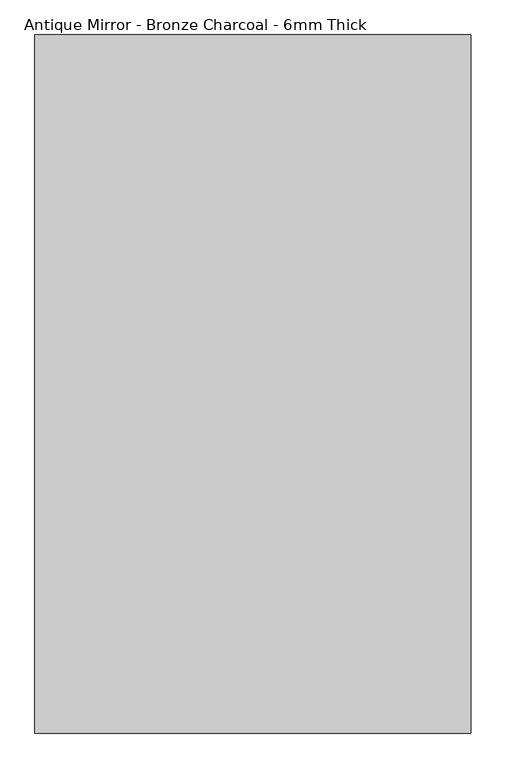
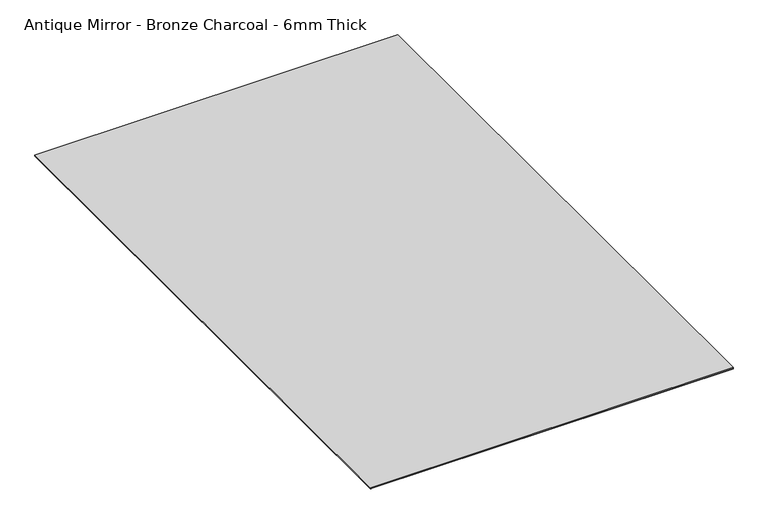
"""IFC4 building model written with IfcOpenShell, lengths in millimetres: proxy geometry, Antique Mirror - Bronze Charcoal - 6mm Thick."""

import ifcopenshell
import ifcopenshell.guid

model = None  # the IFC model being written
_history = None  # IfcOwnerHistory: only IFC2X3 demands one
_inside = {}  # id of a spatial element -> (the spatial element, [elements in it])
_under = {}  # id of a project, library or spatial element -> (it, [spatial elements below it])
_declared = {}  # id of a project -> (the project, [libraries it declares])
_typed = {}  # id of a type object -> (the type object, [elements of that type])
_made_of = {}  # id of a material, layer set ... -> (it, [elements and type objects made of it])


def new_model(schema):
    """Start an empty IFC model of exactly this schema.

    Asked for "IFC4X3", IfcOpenShell would pick the latest addendum, in which some entities
    have other attributes; the version numbers below select the first issue.
    IFC2X3 requires an IfcOwnerHistory on every rooted entity: one is made here for all.
    """
    global model, _history
    if schema == "IFC4X3":
        model = ifcopenshell.file(schema_version=(4, 3, 0, 0))
    else:
        model = ifcopenshell.file(schema=schema)
    _inside.clear()
    _under.clear()
    _declared.clear()
    _typed.clear()
    _made_of.clear()
    _history = None
    if model.schema == "IFC2X3":
        org = make("IfcOrganization", Name="unknown")
        user = make(
            "IfcPersonAndOrganization",
            ThePerson=make("IfcPerson", FamilyName="unknown"),
            TheOrganization=org,
        )
        app = make(
            "IfcApplication",
            ApplicationDeveloper=org,
            Version="unknown",
            ApplicationFullName="unknown",
            ApplicationIdentifier="unknown",
        )
        _history = make(
            "IfcOwnerHistory",
            OwningUser=user,
            OwningApplication=app,
            ChangeAction="ADDED",
            CreationDate=0,
        )
    return model


def make(cls, **values):
    """One entity of the class cls with the attributes given. An attribute that is None is left unset."""
    return model.create_entity(
        cls, **{name: value for name, value in values.items() if value is not None}
    )


def rooted(cls, **values):
    """An entity with a GlobalId (a new one), such as an element, a storey or a relation."""
    return make(cls, GlobalId=ifcopenshell.guid.new(), OwnerHistory=_history, **values)


def si_unit(unit_type, name, prefix=None):
    """IfcSIUnit, for example si_unit("LENGTHUNIT", "METRE", prefix="MILLI")."""
    return make("IfcSIUnit", UnitType=unit_type, Prefix=prefix, Name=name)


def assignment(units):
    """IfcUnitAssignment: the units of a project."""
    return None if units is None else make("IfcUnitAssignment", Units=units)


def point(xyz):
    """IfcCartesianPoint."""
    return None if xyz is None else make("IfcCartesianPoint", Coordinates=xyz)


def direction(xyz):
    """IfcDirection."""
    return None if xyz is None else make("IfcDirection", DirectionRatios=xyz)


def frame(location, z_axis=None, x_axis=None):
    """IfcAxis2Placement3D, a coordinate frame: its origin and axes. An axis left out is left unset."""
    return make(
        "IfcAxis2Placement3D",
        Location=point(location),
        Axis=direction(z_axis),
        RefDirection=direction(x_axis),
    )


def origin():
    """The frame at (0, 0, 0) with its axes left unset."""
    return frame((0.0, 0.0, 0.0))


def origin_with_axes():
    """The frame at (0, 0, 0) with the z axis (0, 0, 1) and the x axis (1, 0, 0) written out."""
    return frame((0.0, 0.0, 0.0), z_axis=(0.0, 0.0, 1.0), x_axis=(1.0, 0.0, 0.0))


def place(relative_to, where):
    """IfcLocalPlacement: puts the frame where relative to a parent placement (None: the world)."""
    return make(
        "IfcLocalPlacement", PlacementRelTo=relative_to, RelativePlacement=where
    )


def context(
    kind, dimensions, precision=None, world=None, true_north=None, identifier=None
):
    """IfcGeometricRepresentationContext, for example the 3D "Model" context."""
    return make(
        "IfcGeometricRepresentationContext",
        ContextIdentifier=identifier,
        ContextType=kind,
        CoordinateSpaceDimension=dimensions,
        Precision=precision,
        WorldCoordinateSystem=world,
        TrueNorth=true_north,
    )


def project(units=None, contexts=None):
    """IfcProject with its units and contexts."""
    return rooted(
        "IfcProject",
        Name="project",
        RepresentationContexts=contexts,
        UnitsInContext=assignment(units),
    )


def spatial(cls, under=None, at=None, **own):
    """A site, building, storey or space (cls), placed at a placement, below another one or the project."""
    s = rooted(cls, ObjectPlacement=at, **own)
    if under is not None:
        _under.setdefault(under.id(), (under, []))[1].append(s)
    return s


def polyline(points):
    """IfcPolyline through the points."""
    return make("IfcPolyline", Points=[point(p) for p in points])


def outline(outer, holes=None, kind="AREA"):
    """IfcArbitraryClosedProfileDef: a profile drawn as a closed curve; with holes, ...WithVoids."""
    if holes is None:
        return make("IfcArbitraryClosedProfileDef", ProfileType=kind, OuterCurve=outer)
    return make(
        "IfcArbitraryProfileDefWithVoids",
        ProfileType=kind,
        OuterCurve=outer,
        InnerCurves=holes,
    )


def extrude(swept, where, along, depth):
    """IfcExtrudedAreaSolid: the profile swept, set in the frame where, extruded along a direction by depth."""
    return make(
        "IfcExtrudedAreaSolid",
        SweptArea=swept,
        Position=where,
        ExtrudedDirection=direction(along),
        Depth=depth,
    )


def shape(context_of_items, identifier, shape_type, items):
    """IfcShapeRepresentation: the items that make up one representation, for example the "Body"."""
    return make(
        "IfcShapeRepresentation",
        ContextOfItems=context_of_items,
        RepresentationIdentifier=identifier,
        RepresentationType=shape_type,
        Items=items,
    )


def source(mapping_origin, context_of_items, identifier, shape_type, items):
    """IfcRepresentationMap: a shape defined once, which mapped items show again and again."""
    return make(
        "IfcRepresentationMap",
        MappingOrigin=mapping_origin,
        MappedRepresentation=shape(context_of_items, identifier, shape_type, items),
    )


def transform(
    local_origin,
    x_axis=None,
    y_axis=None,
    z_axis=None,
    scale=None,
    scale2=None,
    scale3=None,
    uniform=True,
):
    """IfcCartesianTransformationOperator3D, or its non-uniform kind. x_axis, y_axis, z_axis: its Axis1, 2, 3."""
    if uniform:
        return make(
            "IfcCartesianTransformationOperator3D",
            Axis1=direction(x_axis),
            Axis2=direction(y_axis),
            LocalOrigin=point(local_origin),
            Scale=scale,
            Axis3=direction(z_axis),
        )
    return make(
        "IfcCartesianTransformationOperator3DnonUniform",
        Axis1=direction(x_axis),
        Axis2=direction(y_axis),
        LocalOrigin=point(local_origin),
        Scale=scale,
        Axis3=direction(z_axis),
        Scale2=scale2,
        Scale3=scale3,
    )


def mapped(mapping_source, mapping_target):
    """IfcMappedItem: shows the shape of a source again, moved by a transform."""
    return make(
        "IfcMappedItem", MappingSource=mapping_source, MappingTarget=mapping_target
    )


def made_of(thing, what):
    """Note that an element or type object is made of a material, layer set ...; save() writes the relation."""
    if what is not None:
        _made_of.setdefault(what.id(), (what, []))[1].append(thing)
    return thing


def element(
    cls,
    number,
    at=None,
    inside=None,
    cuts=None,
    type_object=None,
    material=None,
    context=None,
    identifier="Body",
    shape_type=None,
    held_by="IfcProductDefinitionShape",
    body=None,
    shapes=None,
    **own,
):
    """One element of the class cls, such as IfcWall. Its Tag is "e" and its number.

    at: its placement. inside: the storey or other place that contains it. cuts: it is an
    opening in that element (IfcRelVoidsElement). A single representation is given by context,
    identifier, shape_type and body (its items); several are given by shapes. held_by: the class
    of the entity that holds the representations. save() writes the other relations.
    """
    e = rooted(cls, Tag="e%d" % number, ObjectPlacement=at, **own)
    if body is not None:
        shapes = [shape(context, identifier, shape_type, body)]
    if shapes is not None:
        e.Representation = make(held_by, Representations=shapes)
    if inside is not None:
        _inside.setdefault(inside.id(), (inside, []))[1].append(e)
    if cuts is not None:
        rooted(
            "IfcRelVoidsElement", RelatingBuildingElement=cuts, RelatedOpeningElement=e
        )
    if type_object is not None:
        _typed.setdefault(type_object.id(), (type_object, []))[1].append(e)
    return made_of(e, material)


def aggregate(whole, parts):
    """IfcRelAggregates: a whole, such as a stair, and the parts it consists of."""
    return rooted("IfcRelAggregates", RelatingObject=whole, RelatedObjects=parts)


def save(model, path):
    """Write the relations noted so far, then the file.

    IfcRelAggregates (storeys below a building ...), IfcRelContainedInSpatialStructure (elements
    in a storey), IfcRelDefinesByType, IfcRelAssociatesMaterial and IfcRelDeclares: one each for
    every whole, place, type object, material and project.
    """
    for whole, parts in _under.values():
        aggregate(whole, parts)
    for where, things in _inside.values():
        rooted(
            "IfcRelContainedInSpatialStructure",
            RelatedElements=things,
            RelatingStructure=where,
        )
    for kind, things in _typed.values():
        rooted("IfcRelDefinesByType", RelatedObjects=things, RelatingType=kind)
    for what, things in _made_of.values():
        rooted("IfcRelAssociatesMaterial", RelatedObjects=things, RelatingMaterial=what)
    for by, libraries in _declared.values():
        rooted("IfcRelDeclares", RelatingContext=by, RelatedDefinitions=libraries)
    model.write(path)


def antique_mirror_bronze_charcoal_6mm_thick_dc94014f(model_context):
    return source(origin(), model_context, "Body", "SweptSolid", [
        extrude(outline(polyline([(762.0, -1219.2), (-762.0, -1219.2), (-762.0, 1219.2), (762.0, 1219.2), (762.0, -1219.2)])), frame((0.0, 0.0, 1.984375), z_axis=(0.0, 0.0, 1.0), x_axis=(1.0, 0.0, 0.0)), (0.0, 0.0, 1.0), 3.96875),
        extrude(outline(polyline([(762.0, 1219.2), (762.0, -1219.2), (-762.0, -1219.2), (-762.0, 1219.2), (762.0, 1219.2)])), origin_with_axes(), (0.0, 0.0, 1.0), 1.984375),
    ])


if __name__ == "__main__":
    model = new_model("IFC4")
    model_context = context("Model", 3, world=origin())
    ifc_project = project(units=[si_unit("LENGTHUNIT", "METRE", prefix="MILLI")], contexts=[model_context])
    site = spatial("IfcSite", under=ifc_project)
    building = spatial("IfcBuilding", under=site)
    placement = place(None, origin())
    antique_mirror_bronze_charcoal_6mm_thick_shape = antique_mirror_bronze_charcoal_6mm_thick_dc94014f(model_context)
    element("IfcBuildingElementProxy", 1, Name="Antique Mirror - Bronze Charcoal - 6mm Thick", ObjectType="Antique Mirror - Bronze Charcoal - 6mm Thick", at=placement, inside=building, context=model_context, shape_type="MappedRepresentation", body=[
        mapped(antique_mirror_bronze_charcoal_6mm_thick_shape, transform((0.0, 0.0, 0.0), x_axis=(1.0, 0.0, 0.0), y_axis=(0.0, 1.0, 0.0), z_axis=(0.0, 0.0, 1.0))),
    ])
    save(model, "model.ifc")
